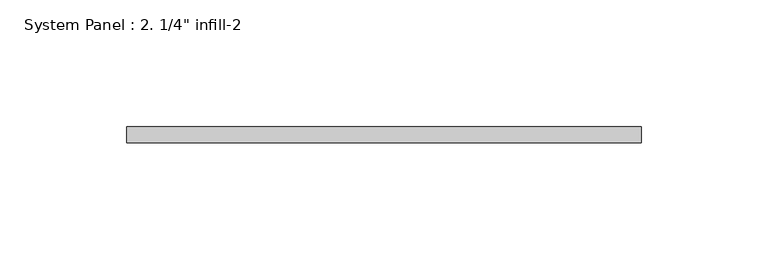
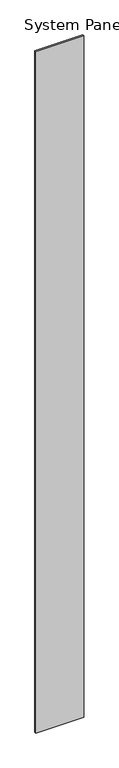
"""IFC4 building model written with IfcOpenShell, lengths in millimetres: plate geometry."""

from ifc_helpers import new_model, si_unit, origin, origin_with_axes, place, context, project, spatial, polyline, outline, extrude, source, transform, mapped, element, save


def plate_e661a7a2(model_context):
    return source(origin(), model_context, "Body", "SweptSolid", [
        extrude(outline(polyline([(101.6, 0.0), (-101.6, 0.0), (-101.6, 6.35), (101.6, 6.35), (101.6, 0.0)])), origin_with_axes(), (0.0, 0.0, 1.0), 3048.0),
    ])


if __name__ == "__main__":
    model = new_model("IFC4")
    model_context = context("Model", 3, world=origin())
    ifc_project = project(units=[si_unit("LENGTHUNIT", "METRE", prefix="MILLI")], contexts=[model_context])
    site = spatial("IfcSite", under=ifc_project)
    building = spatial("IfcBuilding", under=site)
    placement = place(None, origin())
    plate_shape = plate_e661a7a2(model_context)
    element("IfcPlate", 1, ObjectType="System Panel : 2. 1/4\" infill-2", at=placement, inside=building, context=model_context, shape_type="MappedRepresentation", body=[
        mapped(plate_shape, transform((0.0, 0.0, 0.0), x_axis=(1.0, 0.0, 0.0), y_axis=(0.0, 1.0, 0.0), z_axis=(0.0, 0.0, 1.0))),
    ])
    save(model, "model.ifc")
